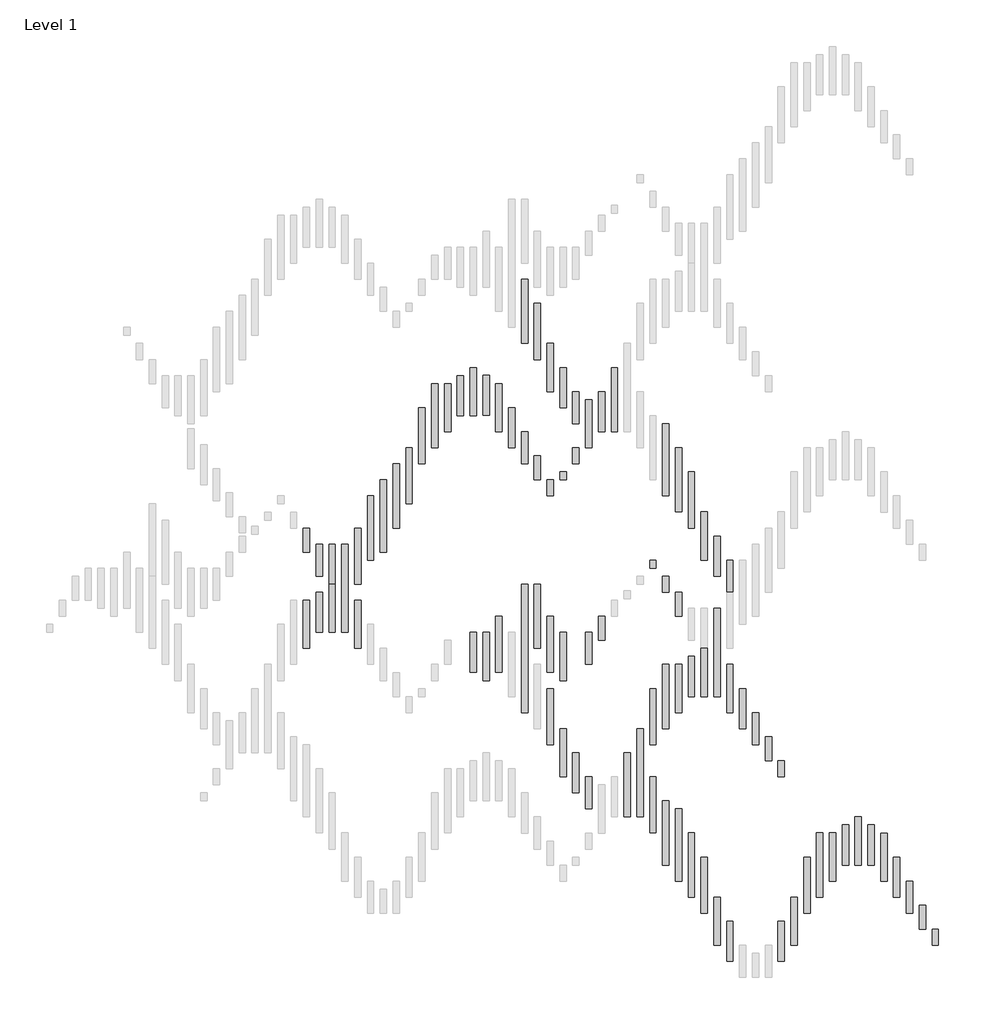
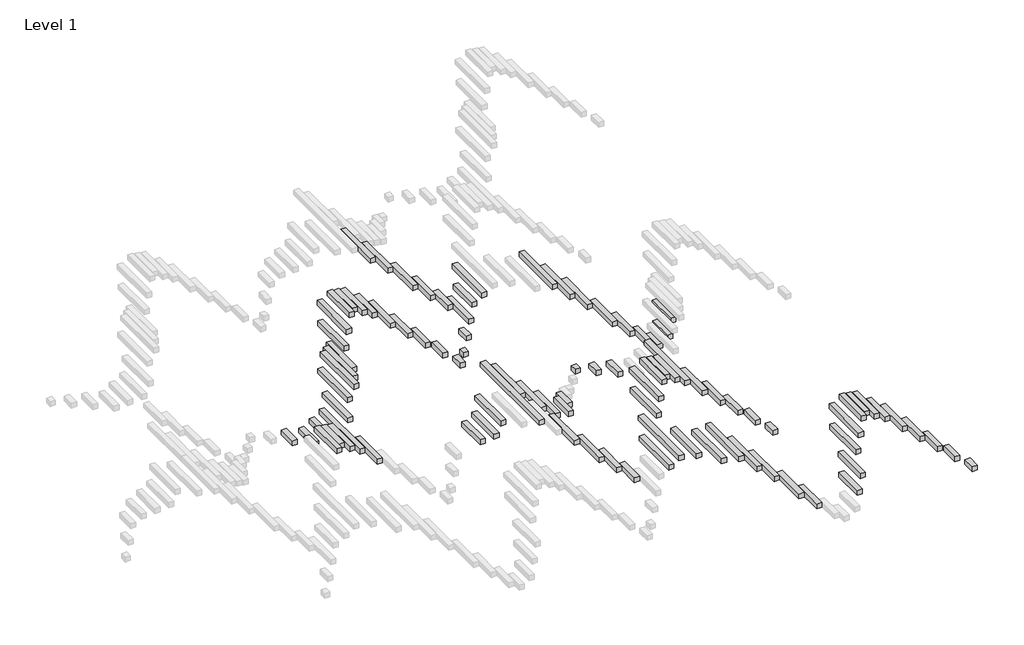
# One storey, part 2 of 3: 92 proxies.
"""IFC4 building model written with IfcOpenShell, lengths in millimetres."""

import ifcopenshell
import ifcopenshell.guid

model = None  # the IFC model being written
_history = None  # IfcOwnerHistory: only IFC2X3 demands one
_inside = {}  # id of a spatial element -> (the spatial element, [elements in it])
_under = {}  # id of a project, library or spatial element -> (it, [spatial elements below it])
_declared = {}  # id of a project -> (the project, [libraries it declares])
_typed = {}  # id of a type object -> (the type object, [elements of that type])
_made_of = {}  # id of a material, layer set ... -> (it, [elements and type objects made of it])


def new_model(schema):
    """Start an empty IFC model of exactly this schema.

    Asked for "IFC4X3", IfcOpenShell would pick the latest addendum, in which some entities
    have other attributes; the version numbers below select the first issue.
    IFC2X3 requires an IfcOwnerHistory on every rooted entity: one is made here for all.
    """
    global model, _history
    if schema == "IFC4X3":
        model = ifcopenshell.file(schema_version=(4, 3, 0, 0))
    else:
        model = ifcopenshell.file(schema=schema)
    _inside.clear()
    _under.clear()
    _declared.clear()
    _typed.clear()
    _made_of.clear()
    _history = None
    if model.schema == "IFC2X3":
        org = make("IfcOrganization", Name="unknown")
        user = make(
            "IfcPersonAndOrganization",
            ThePerson=make("IfcPerson", FamilyName="unknown"),
            TheOrganization=org,
        )
        app = make(
            "IfcApplication",
            ApplicationDeveloper=org,
            Version="unknown",
            ApplicationFullName="unknown",
            ApplicationIdentifier="unknown",
        )
        _history = make(
            "IfcOwnerHistory",
            OwningUser=user,
            OwningApplication=app,
            ChangeAction="ADDED",
            CreationDate=0,
        )
    return model


def make(cls, **values):
    """One entity of the class cls with the attributes given. An attribute that is None is left unset."""
    return model.create_entity(
        cls, **{name: value for name, value in values.items() if value is not None}
    )


def rooted(cls, **values):
    """An entity with a GlobalId (a new one), such as an element, a storey or a relation."""
    return make(cls, GlobalId=ifcopenshell.guid.new(), OwnerHistory=_history, **values)


def si_unit(unit_type, name, prefix=None):
    """IfcSIUnit, for example si_unit("LENGTHUNIT", "METRE", prefix="MILLI")."""
    return make("IfcSIUnit", UnitType=unit_type, Prefix=prefix, Name=name)


def assignment(units):
    """IfcUnitAssignment: the units of a project."""
    return None if units is None else make("IfcUnitAssignment", Units=units)


def point(xyz):
    """IfcCartesianPoint."""
    return None if xyz is None else make("IfcCartesianPoint", Coordinates=xyz)


def direction(xyz):
    """IfcDirection."""
    return None if xyz is None else make("IfcDirection", DirectionRatios=xyz)


def frame(location, z_axis=None, x_axis=None):
    """IfcAxis2Placement3D, a coordinate frame: its origin and axes. An axis left out is left unset."""
    return make(
        "IfcAxis2Placement3D",
        Location=point(location),
        Axis=direction(z_axis),
        RefDirection=direction(x_axis),
    )


def origin():
    """The frame at (0, 0, 0) with its axes left unset."""
    return frame((0.0, 0.0, 0.0))


def origin_with_axes():
    """The frame at (0, 0, 0) with the z axis (0, 0, 1) and the x axis (1, 0, 0) written out."""
    return frame((0.0, 0.0, 0.0), z_axis=(0.0, 0.0, 1.0), x_axis=(1.0, 0.0, 0.0))


def place(relative_to, where):
    """IfcLocalPlacement: puts the frame where relative to a parent placement (None: the world)."""
    return make(
        "IfcLocalPlacement", PlacementRelTo=relative_to, RelativePlacement=where
    )


def context(
    kind, dimensions, precision=None, world=None, true_north=None, identifier=None
):
    """IfcGeometricRepresentationContext, for example the 3D "Model" context."""
    return make(
        "IfcGeometricRepresentationContext",
        ContextIdentifier=identifier,
        ContextType=kind,
        CoordinateSpaceDimension=dimensions,
        Precision=precision,
        WorldCoordinateSystem=world,
        TrueNorth=true_north,
    )


def project(units=None, contexts=None):
    """IfcProject with its units and contexts."""
    return rooted(
        "IfcProject",
        Name="project",
        RepresentationContexts=contexts,
        UnitsInContext=assignment(units),
    )


def spatial(cls, under=None, at=None, **own):
    """A site, building, storey or space (cls), placed at a placement, below another one or the project."""
    s = rooted(cls, ObjectPlacement=at, **own)
    if under is not None:
        _under.setdefault(under.id(), (under, []))[1].append(s)
    return s


def polyline(points):
    """IfcPolyline through the points."""
    return make("IfcPolyline", Points=[point(p) for p in points])


def outline(outer, holes=None, kind="AREA"):
    """IfcArbitraryClosedProfileDef: a profile drawn as a closed curve; with holes, ...WithVoids."""
    if holes is None:
        return make("IfcArbitraryClosedProfileDef", ProfileType=kind, OuterCurve=outer)
    return make(
        "IfcArbitraryProfileDefWithVoids",
        ProfileType=kind,
        OuterCurve=outer,
        InnerCurves=holes,
    )


def extrude(swept, where, along, depth):
    """IfcExtrudedAreaSolid: the profile swept, set in the frame where, extruded along a direction by depth."""
    return make(
        "IfcExtrudedAreaSolid",
        SweptArea=swept,
        Position=where,
        ExtrudedDirection=direction(along),
        Depth=depth,
    )


def shape(context_of_items, identifier, shape_type, items):
    """IfcShapeRepresentation: the items that make up one representation, for example the "Body"."""
    return make(
        "IfcShapeRepresentation",
        ContextOfItems=context_of_items,
        RepresentationIdentifier=identifier,
        RepresentationType=shape_type,
        Items=items,
    )


def source(mapping_origin, context_of_items, identifier, shape_type, items):
    """IfcRepresentationMap: a shape defined once, which mapped items show again and again."""
    return make(
        "IfcRepresentationMap",
        MappingOrigin=mapping_origin,
        MappedRepresentation=shape(context_of_items, identifier, shape_type, items),
    )


def transform(
    local_origin,
    x_axis=None,
    y_axis=None,
    z_axis=None,
    scale=None,
    scale2=None,
    scale3=None,
    uniform=True,
):
    """IfcCartesianTransformationOperator3D, or its non-uniform kind. x_axis, y_axis, z_axis: its Axis1, 2, 3."""
    if uniform:
        return make(
            "IfcCartesianTransformationOperator3D",
            Axis1=direction(x_axis),
            Axis2=direction(y_axis),
            LocalOrigin=point(local_origin),
            Scale=scale,
            Axis3=direction(z_axis),
        )
    return make(
        "IfcCartesianTransformationOperator3DnonUniform",
        Axis1=direction(x_axis),
        Axis2=direction(y_axis),
        LocalOrigin=point(local_origin),
        Scale=scale,
        Axis3=direction(z_axis),
        Scale2=scale2,
        Scale3=scale3,
    )


def mapped(mapping_source, mapping_target):
    """IfcMappedItem: shows the shape of a source again, moved by a transform."""
    return make(
        "IfcMappedItem", MappingSource=mapping_source, MappingTarget=mapping_target
    )


def made_of(thing, what):
    """Note that an element or type object is made of a material, layer set ...; save() writes the relation."""
    if what is not None:
        _made_of.setdefault(what.id(), (what, []))[1].append(thing)
    return thing


def element(
    cls,
    number,
    at=None,
    inside=None,
    cuts=None,
    type_object=None,
    material=None,
    context=None,
    identifier="Body",
    shape_type=None,
    held_by="IfcProductDefinitionShape",
    body=None,
    shapes=None,
    **own,
):
    """One element of the class cls, such as IfcWall. Its Tag is "e" and its number.

    at: its placement. inside: the storey or other place that contains it. cuts: it is an
    opening in that element (IfcRelVoidsElement). A single representation is given by context,
    identifier, shape_type and body (its items); several are given by shapes. held_by: the class
    of the entity that holds the representations. save() writes the other relations.
    """
    e = rooted(cls, Tag="e%d" % number, ObjectPlacement=at, **own)
    if body is not None:
        shapes = [shape(context, identifier, shape_type, body)]
    if shapes is not None:
        e.Representation = make(held_by, Representations=shapes)
    if inside is not None:
        _inside.setdefault(inside.id(), (inside, []))[1].append(e)
    if cuts is not None:
        rooted(
            "IfcRelVoidsElement", RelatingBuildingElement=cuts, RelatedOpeningElement=e
        )
    if type_object is not None:
        _typed.setdefault(type_object.id(), (type_object, []))[1].append(e)
    return made_of(e, material)


def aggregate(whole, parts):
    """IfcRelAggregates: a whole, such as a stair, and the parts it consists of."""
    return rooted("IfcRelAggregates", RelatingObject=whole, RelatedObjects=parts)


def save(model, path):
    """Write the relations noted so far, then the file.

    IfcRelAggregates (storeys below a building ...), IfcRelContainedInSpatialStructure (elements
    in a storey), IfcRelDefinesByType, IfcRelAssociatesMaterial and IfcRelDeclares: one each for
    every whole, place, type object, material and project.
    """
    for whole, parts in _under.values():
        aggregate(whole, parts)
    for where, things in _inside.values():
        rooted(
            "IfcRelContainedInSpatialStructure",
            RelatedElements=things,
            RelatingStructure=where,
        )
    for kind, things in _typed.values():
        rooted("IfcRelDefinesByType", RelatedObjects=things, RelatingType=kind)
    for what, things in _made_of.values():
        rooted("IfcRelAssociatesMaterial", RelatedObjects=things, RelatingMaterial=what)
    for by, libraries in _declared.values():
        rooted("IfcRelDeclares", RelatingContext=by, RelatedDefinitions=libraries)
    model.write(path)


def pln_1family_pln_1family_4dc62227(model_context):
    return source(origin(), model_context, "Body", "SweptSolid", [
        extrude(outline(polyline([(0.0, 350.0), (40.0, 350.0), (40.0, 0.0), (0.0, 0.0), (0.0, 350.0)])), frame((0.0, 0.0, 300.0), z_axis=(0.0, 0.0, 1.0), x_axis=(1.0, 0.0, 0.0)), (0.0, 0.0, 1.0), 40.0),
    ])


def pln_1family_pln_1family_f3eff414(model_context):
    return source(origin(), model_context, "Body", "SweptSolid", [
        extrude(outline(polyline([(0.0, 50.0), (40.0, 50.0), (40.0, 0.0), (0.0, 0.0), (0.0, 50.0)])), origin_with_axes(), (0.0, 0.0, 1.0), 40.0),
    ])


def pln_1family_pln_1family_fcb6b026(model_context):
    return source(origin(), model_context, "Body", "SweptSolid", [
        extrude(outline(polyline([(0.0, 100.0), (40.0, 100.0), (40.0, 0.0), (0.0, 0.0), (0.0, 100.0)])), frame((0.0, 0.0, 50.0), z_axis=(0.0, 0.0, 1.0), x_axis=(1.0, 0.0, 0.0)), (0.0, 0.0, 1.0), 40.0),
    ])


def pln_1family_pln_1family_2da3125d(model_context):
    return source(origin(), model_context, "Body", "SweptSolid", [
        extrude(outline(polyline([(0.0, 150.0), (40.0, 150.0), (40.0, 0.0), (0.0, 0.0), (0.0, 150.0)])), frame((0.0, 0.0, 100.0), z_axis=(0.0, 0.0, 1.0), x_axis=(1.0, 0.0, 0.0)), (0.0, 0.0, 1.0), 40.0),
    ])


def pln_1family_pln_1family_1d0df3a4(model_context):
    return source(origin(), model_context, "Body", "SweptSolid", [
        extrude(outline(polyline([(0.0, 200.0), (40.0, 200.0), (40.0, 0.0), (0.0, 0.0), (0.0, 200.0)])), frame((0.0, 0.0, 150.0), z_axis=(0.0, 0.0, 1.0), x_axis=(1.0, 0.0, 0.0)), (0.0, 0.0, 1.0), 40.0),
    ])


def pln_1family_pln_1family_3bfda860(model_context):
    return source(origin(), model_context, "Body", "SweptSolid", [
        extrude(outline(polyline([(0.0, 250.0), (40.0, 250.0), (40.0, 0.0), (0.0, 0.0), (0.0, 250.0)])), frame((0.0, 0.0, 200.0), z_axis=(0.0, 0.0, 1.0), x_axis=(1.0, 0.0, 0.0)), (0.0, 0.0, 1.0), 40.0),
    ])


def pln_1family_pln_1family_cedcc5d7(model_context):
    return source(origin(), model_context, "Body", "SweptSolid", [
        extrude(outline(polyline([(0.0, 300.0), (40.0, 300.0), (40.0, 0.0), (0.0, 0.0), (0.0, 300.0)])), frame((0.0, 0.0, 250.0), z_axis=(0.0, 0.0, 1.0), x_axis=(1.0, 0.0, 0.0)), (0.0, 0.0, 1.0), 40.0),
    ])


def pln_1family_pln_1family_212ed542(model_context):
    return source(origin(), model_context, "Body", "SweptSolid", [
        extrude(outline(polyline([(0.0, 400.0), (40.0, 400.0), (40.0, 0.0), (0.0, 0.0), (0.0, 400.0)])), frame((0.0, 0.0, 350.0), z_axis=(0.0, 0.0, 1.0), x_axis=(1.0, 0.0, 0.0)), (0.0, 0.0, 1.0), 40.0),
    ])


def pln_1family_pln_1family_093c9c44(model_context):
    return source(origin(), model_context, "Body", "SweptSolid", [
        extrude(outline(polyline([(0.0, 450.0), (40.0, 450.0), (40.0, 0.0), (0.0, 0.0), (0.0, 450.0)])), frame((0.0, 0.0, 400.0), z_axis=(0.0, 0.0, 1.0), x_axis=(1.0, 0.0, 0.0)), (0.0, 0.0, 1.0), 40.0),
    ])


def pln_1family_pln_1family_2c37be23(model_context):
    return source(origin(), model_context, "Body", "SweptSolid", [
        extrude(outline(polyline([(0.0, 250.0), (40.0, 250.0), (40.0, 0.0), (0.0, 0.0), (0.0, 250.0)])), frame((0.0, 0.0, 150.0), z_axis=(0.0, 0.0, 1.0), x_axis=(1.0, 0.0, 0.0)), (0.0, 0.0, 1.0), 40.0),
    ])


def pln_1family_pln_1family_8d14096d(model_context):
    return source(origin(), model_context, "Body", "SweptSolid", [
        extrude(outline(polyline([(0.0, 300.0), (40.0, 300.0), (40.0, 0.0), (0.0, 0.0), (0.0, 300.0)])), frame((0.0, 0.0, 200.0), z_axis=(0.0, 0.0, 1.0), x_axis=(1.0, 0.0, 0.0)), (0.0, 0.0, 1.0), 40.0),
    ])


def pln_1family_pln_1family_0d1576dd(model_context):
    return source(origin(), model_context, "Body", "SweptSolid", [
        extrude(outline(polyline([(0.0, 200.0), (40.0, 200.0), (40.0, 0.0), (0.0, 0.0), (0.0, 200.0)])), frame((0.0, 0.0, 100.0), z_axis=(0.0, 0.0, 1.0), x_axis=(1.0, 0.0, 0.0)), (0.0, 0.0, 1.0), 40.0),
    ])


def pln_1family_pln_1family_4d2572b1(model_context):
    return source(origin(), model_context, "Body", "SweptSolid", [
        extrude(outline(polyline([(0.0, 150.0), (40.0, 150.0), (40.0, 0.0), (0.0, 0.0), (0.0, 150.0)])), frame((0.0, 0.0, 50.0), z_axis=(0.0, 0.0, 1.0), x_axis=(1.0, 0.0, 0.0)), (0.0, 0.0, 1.0), 40.0),
    ])


def pln_1family_pln_1family_7651b630(model_context):
    return source(origin(), model_context, "Body", "SweptSolid", [
        extrude(outline(polyline([(0.0, 100.0), (40.0, 100.0), (40.0, 0.0), (0.0, 0.0), (0.0, 100.0)])), origin_with_axes(), (0.0, 0.0, 1.0), 40.0),
    ])


def pln_1family_pln_1family_12d8277a(model_context):
    return source(origin(), model_context, "Body", "SweptSolid", [
        extrude(outline(polyline([(0.0, 250.0), (40.0, 250.0), (40.0, 0.0), (0.0, 0.0), (0.0, 250.0)])), frame((0.0, 0.0, 350.0), z_axis=(0.0, 0.0, 1.0), x_axis=(1.0, 0.0, 0.0)), (0.0, 0.0, 1.0), 40.0),
    ])


def pln_1family_pln_1family_87d7128b(model_context):
    return source(origin(), model_context, "Body", "SweptSolid", [
        extrude(outline(polyline([(0.0, 250.0), (40.0, 250.0), (40.0, 0.0), (0.0, 0.0), (0.0, 250.0)])), frame((0.0, 0.0, 250.0), z_axis=(0.0, 0.0, 1.0), x_axis=(1.0, 0.0, 0.0)), (0.0, 0.0, 1.0), 40.0),
    ])


def pln_1family_pln_1family_26808da2(model_context):
    return source(origin(), model_context, "Body", "SweptSolid", [
        extrude(outline(polyline([(0.0, 300.0), (40.0, 300.0), (40.0, 0.0), (0.0, 0.0), (0.0, 300.0)])), frame((0.0, 0.0, 400.0), z_axis=(0.0, 0.0, 1.0), x_axis=(1.0, 0.0, 0.0)), (0.0, 0.0, 1.0), 40.0),
    ])


def pln_1family_pln_1family_23dad07f(model_context):
    return source(origin(), model_context, "Body", "SweptSolid", [
        extrude(outline(polyline([(0.0, 300.0), (40.0, 300.0), (40.0, 0.0), (0.0, 0.0), (0.0, 300.0)])), frame((0.0, 0.0, 300.0), z_axis=(0.0, 0.0, 1.0), x_axis=(1.0, 0.0, 0.0)), (0.0, 0.0, 1.0), 40.0),
    ])


def pln_1family_pln_1family_72982883(model_context):
    return source(origin(), model_context, "Body", "SweptSolid", [
        extrude(outline(polyline([(0.0, 300.0), (40.0, 300.0), (40.0, 0.0), (0.0, 0.0), (0.0, 300.0)])), frame((0.0, 0.0, 100.0), z_axis=(0.0, 0.0, 1.0), x_axis=(1.0, 0.0, 0.0)), (0.0, 0.0, 1.0), 40.0),
    ])


def pln_1family_pln_1family_6ff78434(model_context):
    return source(origin(), model_context, "Body", "SweptSolid", [
        extrude(outline(polyline([(0.0, 400.0), (40.0, 400.0), (40.0, 0.0), (0.0, 0.0), (0.0, 400.0)])), frame((0.0, 0.0, 200.0), z_axis=(0.0, 0.0, 1.0), x_axis=(1.0, 0.0, 0.0)), (0.0, 0.0, 1.0), 40.0),
    ])


def pln_1family_pln_1family_5641a602(model_context):
    return source(origin(), model_context, "Body", "SweptSolid", [
        extrude(outline(polyline([(0.0, 550.0), (40.0, 550.0), (40.0, 0.0), (0.0, 0.0), (0.0, 550.0)])), frame((0.0, 0.0, 250.0), z_axis=(0.0, 0.0, 1.0), x_axis=(1.0, 0.0, 0.0)), (0.0, 0.0, 1.0), 40.0),
    ])


def pln_1family_pln_1family_07c4befe(model_context):
    return source(origin(), model_context, "Body", "SweptSolid", [
        extrude(outline(polyline([(0.0, -50.0), (0.0, 0.0), (40.0, 0.0), (40.0, -50.0), (0.0, -50.0)])), origin_with_axes(), (0.0, 0.0, 1.0), 40.0),
    ])


def pln_1family_pln_1family_859a2ff6(model_context):
    return source(origin(), model_context, "Body", "SweptSolid", [
        extrude(outline(polyline([(0.0, -100.0), (0.0, 0.0), (40.0, 0.0), (40.0, -100.0), (0.0, -100.0)])), frame((0.0, 0.0, 50.0), z_axis=(0.0, 0.0, 1.0), x_axis=(1.0, 0.0, 0.0)), (0.0, 0.0, 1.0), 40.0),
    ])


def pln_1family_pln_1family_98214491(model_context):
    return source(origin(), model_context, "Body", "SweptSolid", [
        extrude(outline(polyline([(0.0, -150.0), (0.0, 0.0), (40.0, 0.0), (40.0, -150.0), (0.0, -150.0)])), frame((0.0, 0.0, 100.0), z_axis=(0.0, 0.0, 1.0), x_axis=(1.0, 0.0, 0.0)), (0.0, 0.0, 1.0), 40.0),
    ])


def pln_1family_pln_1family_afff1ceb(model_context):
    return source(origin(), model_context, "Body", "SweptSolid", [
        extrude(outline(polyline([(0.0, -200.0), (0.0, 0.0), (40.0, 0.0), (40.0, -200.0), (0.0, -200.0)])), frame((0.0, 0.0, 150.0), z_axis=(0.0, 0.0, 1.0), x_axis=(1.0, 0.0, 0.0)), (0.0, 0.0, 1.0), 40.0),
    ])


def pln_1family_pln_1family_00dac9e5(model_context):
    return source(origin(), model_context, "Body", "SweptSolid", [
        extrude(outline(polyline([(0.0, -350.0), (0.0, 0.0), (40.0, 0.0), (40.0, -350.0), (0.0, -350.0)])), frame((0.0, 0.0, 300.0), z_axis=(0.0, 0.0, 1.0), x_axis=(1.0, 0.0, 0.0)), (0.0, 0.0, 1.0), 40.0),
    ])


def pln_1family_pln_1family_1b5eb808(model_context):
    return source(origin(), model_context, "Body", "SweptSolid", [
        extrude(outline(polyline([(0.0, -400.0), (0.0, 0.0), (40.0, 0.0), (40.0, -400.0), (0.0, -400.0)])), frame((0.0, 0.0, 350.0), z_axis=(0.0, 0.0, 1.0), x_axis=(1.0, 0.0, 0.0)), (0.0, 0.0, 1.0), 40.0),
    ])


def pln_1family_pln_1family_d52b545e(model_context):
    return source(origin(), model_context, "Body", "SweptSolid", [
        extrude(outline(polyline([(0.0, -450.0), (0.0, 0.0), (40.0, 0.0), (40.0, -450.0), (0.0, -450.0)])), frame((0.0, 0.0, 400.0), z_axis=(0.0, 0.0, 1.0), x_axis=(1.0, 0.0, 0.0)), (0.0, 0.0, 1.0), 40.0),
    ])


def pln_1family_pln_1family_a20e2aca(model_context):
    return source(origin(), model_context, "Body", "SweptSolid", [
        extrude(outline(polyline([(0.0, -250.0), (0.0, 0.0), (40.0, 0.0), (40.0, -250.0), (0.0, -250.0)])), frame((0.0, 0.0, 200.0), z_axis=(0.0, 0.0, 1.0), x_axis=(1.0, 0.0, 0.0)), (0.0, 0.0, 1.0), 40.0),
    ])


def pln_1family_pln_1family_4d3149bf(model_context):
    return source(origin(), model_context, "Body", "SweptSolid", [
        extrude(outline(polyline([(0.0, -300.0), (0.0, 0.0), (40.0, 0.0), (40.0, -300.0), (0.0, -300.0)])), frame((0.0, 0.0, 250.0), z_axis=(0.0, 0.0, 1.0), x_axis=(1.0, 0.0, 0.0)), (0.0, 0.0, 1.0), 40.0),
    ])


def pln_1family_pln_1family_b79c4e5a(model_context):
    return source(origin(), model_context, "Body", "SweptSolid", [
        extrude(outline(polyline([(0.0, 800.0), (40.0, 800.0), (40.0, 0.0), (0.0, 0.0), (0.0, 800.0)])), frame((0.0, 0.0, 400.0), z_axis=(0.0, 0.0, 1.0), x_axis=(1.0, 0.0, 0.0)), (0.0, 0.0, 1.0), 40.0),
    ])


model = new_model("IFC4")

# Units and contexts
model_context = context("Model", 3, world=origin())
ifc_project = project(units=[si_unit("LENGTHUNIT", "METRE", prefix="MILLI")], contexts=[model_context])

# Site, building, storey
site = spatial("IfcSite", under=ifc_project)
building = spatial("IfcBuilding", under=site)
storey = spatial("IfcBuildingStorey", under=building, Name="Level 1", Elevation=0.0)

# Proxies
placement = place(None, origin())
pln_1family_pln_1family_shape = pln_1family_pln_1family_4dc62227(model_context)
element("IfcBuildingElementProxy", 1, Name="PLN - 1family : PLN - 1family", ObjectType="PLN - 1family : PLN - 1family", at=placement, inside=storey, context=model_context, shape_type="MappedRepresentation", body=[
    mapped(pln_1family_pln_1family_shape, transform((-6499.7212603, -2168.1221715, 0.0), x_axis=(1.0, 0.0, 0.0), y_axis=(0.0, 1.0, 0.0), z_axis=(0.0, 0.0, 1.0))),
])
element("IfcBuildingElementProxy", 2, Name="PLN - 1family : PLN - 1family", ObjectType="PLN - 1family : PLN - 1family", at=placement, inside=storey, context=model_context, shape_type="MappedRepresentation", body=[
    mapped(pln_1family_pln_1family_shape, transform((-5539.7212603, -3218.1221715, 0.0), x_axis=(1.0, 0.0, 0.0), y_axis=(0.0, 1.0, 0.0), z_axis=(0.0, 0.0, 1.0))),
])
element("IfcBuildingElementProxy", 3, Name="PLN - 1family : PLN - 1family", ObjectType="PLN - 1family : PLN - 1family", at=placement, inside=storey, context=model_context, shape_type="MappedRepresentation", body=[
    mapped(pln_1family_pln_1family_shape, transform((-7219.7212603, -2818.1221715, 0.0), x_axis=(1.0, 0.0, 0.0), y_axis=(0.0, 1.0, 0.0), z_axis=(0.0, 0.0, 1.0))),
])
element("IfcBuildingElementProxy", 4, Name="PLN - 1family : PLN - 1family", ObjectType="PLN - 1family : PLN - 1family", at=placement, inside=storey, context=model_context, shape_type="MappedRepresentation", body=[
    mapped(pln_1family_pln_1family_shape, transform((-6419.7212603, -4568.1221715, 0.0), x_axis=(1.0, 0.0, 0.0), y_axis=(0.0, 1.0, 0.0), z_axis=(0.0, 0.0, 1.0))),
])
element("IfcBuildingElementProxy", 5, Name="PLN - 1family : PLN - 1family", ObjectType="PLN - 1family : PLN - 1family", at=placement, inside=storey, context=model_context, shape_type="MappedRepresentation", body=[
    mapped(pln_1family_pln_1family_shape, transform((-5779.7212603, -4568.1221715, 0.0), x_axis=(1.0, 0.0, 0.0), y_axis=(0.0, 1.0, 0.0), z_axis=(0.0, 0.0, 1.0))),
])
element("IfcBuildingElementProxy", 6, Name="PLN - 1family : PLN - 1family", ObjectType="PLN - 1family : PLN - 1family", at=placement, inside=storey, context=model_context, shape_type="MappedRepresentation", body=[
    mapped(pln_1family_pln_1family_shape, transform((-5779.7212603, -5118.1221715, 0.0), x_axis=(1.0, 0.0, 0.0), y_axis=(0.0, 1.0, 0.0), z_axis=(0.0, 0.0, 1.0))),
])
element("IfcBuildingElementProxy", 7, Name="PLN - 1family : PLN - 1family", ObjectType="PLN - 1family : PLN - 1family", at=placement, inside=storey, context=model_context, shape_type="MappedRepresentation", body=[
    mapped(pln_1family_pln_1family_shape, transform((-5459.7212603, -5618.1221715, 0.0), x_axis=(1.0, 0.0, 0.0), y_axis=(0.0, 1.0, 0.0), z_axis=(0.0, 0.0, 1.0))),
])
element("IfcBuildingElementProxy", 8, Name="PLN - 1family : PLN - 1family", ObjectType="PLN - 1family : PLN - 1family", at=placement, inside=storey, context=model_context, shape_type="MappedRepresentation", body=[
    mapped(pln_1family_pln_1family_shape, transform((-4819.7212603, -5618.1221715, 0.0), x_axis=(1.0, 0.0, 0.0), y_axis=(0.0, 1.0, 0.0), z_axis=(0.0, 0.0, 1.0))),
])
element("IfcBuildingElementProxy", 9, Name="PLN - 1family : PLN - 1family", ObjectType="PLN - 1family : PLN - 1family", at=placement, inside=storey, context=model_context, shape_type="MappedRepresentation", body=[
    mapped(pln_1family_pln_1family_shape, transform((-6379.7212603, -3768.1221715, 0.0), x_axis=(-1.0, 0.0, 0.0), y_axis=(0.0, -1.0, 0.0), z_axis=(0.0, 0.0, 1.0))),
])
pln_1family_pln_1family_2_shape = pln_1family_pln_1family_f3eff414(model_context)
element("IfcBuildingElementProxy", 10, Name="PLN - 1family : PLN - 1family", ObjectType="PLN - 1family : PLN - 1family", at=placement, inside=storey, context=model_context, shape_type="MappedRepresentation", body=[
    mapped(pln_1family_pln_1family_2_shape, transform((-6339.7212603, -2918.1221715, 0.0), x_axis=(1.0, 0.0, 0.0), y_axis=(0.0, 1.0, 0.0), z_axis=(0.0, 0.0, 1.0))),
])
pln_1family_pln_1family_3_shape = pln_1family_pln_1family_fcb6b026(model_context)
element("IfcBuildingElementProxy", 11, Name="PLN - 1family : PLN - 1family", ObjectType="PLN - 1family : PLN - 1family", at=placement, inside=storey, context=model_context, shape_type="MappedRepresentation", body=[
    mapped(pln_1family_pln_1family_3_shape, transform((-6259.7212603, -2818.1221715, 0.0), x_axis=(1.0, 0.0, 0.0), y_axis=(0.0, 1.0, 0.0), z_axis=(0.0, 0.0, 1.0))),
])
pln_1family_pln_1family_4_shape = pln_1family_pln_1family_2da3125d(model_context)
element("IfcBuildingElementProxy", 12, Name="PLN - 1family : PLN - 1family", ObjectType="PLN - 1family : PLN - 1family", at=placement, inside=storey, context=model_context, shape_type="MappedRepresentation", body=[
    mapped(pln_1family_pln_1family_4_shape, transform((-5219.7212603, -3618.1221715, 0.0), x_axis=(1.0, 0.0, 0.0), y_axis=(0.0, 1.0, 0.0), z_axis=(0.0, 0.0, 1.0))),
])
element("IfcBuildingElementProxy", 13, Name="PLN - 1family : PLN - 1family", ObjectType="PLN - 1family : PLN - 1family", at=placement, inside=storey, context=model_context, shape_type="MappedRepresentation", body=[
    mapped(pln_1family_pln_1family_4_shape, transform((-6059.7212603, -3768.1221715, 0.0), x_axis=(-1.0, 0.0, 0.0), y_axis=(0.0, -1.0, 0.0), z_axis=(0.0, 0.0, 1.0))),
])
pln_1family_pln_1family_5_shape = pln_1family_pln_1family_1d0df3a4(model_context)
element("IfcBuildingElementProxy", 14, Name="PLN - 1family : PLN - 1family", ObjectType="PLN - 1family : PLN - 1family", at=placement, inside=storey, context=model_context, shape_type="MappedRepresentation", body=[
    mapped(pln_1family_pln_1family_5_shape, transform((-6259.7212603, -2568.1221715, 0.0), x_axis=(1.0, 0.0, 0.0), y_axis=(0.0, 1.0, 0.0), z_axis=(0.0, 0.0, 1.0))),
])
element("IfcBuildingElementProxy", 15, Name="PLN - 1family : PLN - 1family", ObjectType="PLN - 1family : PLN - 1family", at=placement, inside=storey, context=model_context, shape_type="MappedRepresentation", body=[
    mapped(pln_1family_pln_1family_5_shape, transform((-5139.7212603, -3618.1221715, 0.0), x_axis=(1.0, 0.0, 0.0), y_axis=(0.0, 1.0, 0.0), z_axis=(0.0, 0.0, 1.0))),
])
element("IfcBuildingElementProxy", 16, Name="PLN - 1family : PLN - 1family", ObjectType="PLN - 1family : PLN - 1family", at=placement, inside=storey, context=model_context, shape_type="MappedRepresentation", body=[
    mapped(pln_1family_pln_1family_5_shape, transform((-5299.7212603, -3618.1221715, 0.0), x_axis=(1.0, 0.0, 0.0), y_axis=(0.0, 1.0, 0.0), z_axis=(0.0, 0.0, 1.0))),
])
element("IfcBuildingElementProxy", 17, Name="PLN - 1family : PLN - 1family", ObjectType="PLN - 1family : PLN - 1family", at=placement, inside=storey, context=model_context, shape_type="MappedRepresentation", body=[
    mapped(pln_1family_pln_1family_5_shape, transform((-6179.7212603, -4968.1221715, 0.0), x_axis=(1.0, 0.0, 0.0), y_axis=(0.0, 1.0, 0.0), z_axis=(0.0, 0.0, 1.0))),
])
element("IfcBuildingElementProxy", 18, Name="PLN - 1family : PLN - 1family", ObjectType="PLN - 1family : PLN - 1family", at=placement, inside=storey, context=model_context, shape_type="MappedRepresentation", body=[
    mapped(pln_1family_pln_1family_5_shape, transform((-6139.7212603, -3868.1221715, 0.0), x_axis=(-1.0, 0.0, 0.0), y_axis=(0.0, -1.0, 0.0), z_axis=(0.0, 0.0, 1.0))),
])
pln_1family_pln_1family_6_shape = pln_1family_pln_1family_3bfda860(model_context)
element("IfcBuildingElementProxy", 19, Name="PLN - 1family : PLN - 1family", ObjectType="PLN - 1family : PLN - 1family", at=placement, inside=storey, context=model_context, shape_type="MappedRepresentation", body=[
    mapped(pln_1family_pln_1family_6_shape, transform((-6339.7212603, -2468.1221715, 0.0), x_axis=(1.0, 0.0, 0.0), y_axis=(0.0, 1.0, 0.0), z_axis=(0.0, 0.0, 1.0))),
])
element("IfcBuildingElementProxy", 20, Name="PLN - 1family : PLN - 1family", ObjectType="PLN - 1family : PLN - 1family", at=placement, inside=storey, context=model_context, shape_type="MappedRepresentation", body=[
    mapped(pln_1family_pln_1family_6_shape, transform((-5379.7212603, -3518.1221715, 0.0), x_axis=(1.0, 0.0, 0.0), y_axis=(0.0, 1.0, 0.0), z_axis=(0.0, 0.0, 1.0))),
])
element("IfcBuildingElementProxy", 21, Name="PLN - 1family : PLN - 1family", ObjectType="PLN - 1family : PLN - 1family", at=placement, inside=storey, context=model_context, shape_type="MappedRepresentation", body=[
    mapped(pln_1family_pln_1family_6_shape, transform((-5059.7212603, -3518.1221715, 0.0), x_axis=(1.0, 0.0, 0.0), y_axis=(0.0, 1.0, 0.0), z_axis=(0.0, 0.0, 1.0))),
])
element("IfcBuildingElementProxy", 22, Name="PLN - 1family : PLN - 1family", ObjectType="PLN - 1family : PLN - 1family", at=placement, inside=storey, context=model_context, shape_type="MappedRepresentation", body=[
    mapped(pln_1family_pln_1family_6_shape, transform((-6259.7212603, -4868.1221715, 0.0), x_axis=(1.0, 0.0, 0.0), y_axis=(0.0, 1.0, 0.0), z_axis=(0.0, 0.0, 1.0))),
])
element("IfcBuildingElementProxy", 23, Name="PLN - 1family : PLN - 1family", ObjectType="PLN - 1family : PLN - 1family", at=placement, inside=storey, context=model_context, shape_type="MappedRepresentation", body=[
    mapped(pln_1family_pln_1family_6_shape, transform((-5299.7212603, -5918.1221715, 0.0), x_axis=(1.0, 0.0, 0.0), y_axis=(0.0, 1.0, 0.0), z_axis=(0.0, 0.0, 1.0))),
])
element("IfcBuildingElementProxy", 24, Name="PLN - 1family : PLN - 1family", ObjectType="PLN - 1family : PLN - 1family", at=placement, inside=storey, context=model_context, shape_type="MappedRepresentation", body=[
    mapped(pln_1family_pln_1family_6_shape, transform((-4979.7212603, -5918.1221715, 0.0), x_axis=(1.0, 0.0, 0.0), y_axis=(0.0, 1.0, 0.0), z_axis=(0.0, 0.0, 1.0))),
])
pln_1family_pln_1family_7_shape = pln_1family_pln_1family_cedcc5d7(model_context)
element("IfcBuildingElementProxy", 25, Name="PLN - 1family : PLN - 1family", ObjectType="PLN - 1family : PLN - 1family", at=placement, inside=storey, context=model_context, shape_type="MappedRepresentation", body=[
    mapped(pln_1family_pln_1family_7_shape, transform((-6419.7212603, -2368.1221715, 0.0), x_axis=(1.0, 0.0, 0.0), y_axis=(0.0, 1.0, 0.0), z_axis=(0.0, 0.0, 1.0))),
])
element("IfcBuildingElementProxy", 26, Name="PLN - 1family : PLN - 1family", ObjectType="PLN - 1family : PLN - 1family", at=placement, inside=storey, context=model_context, shape_type="MappedRepresentation", body=[
    mapped(pln_1family_pln_1family_7_shape, transform((-5459.7212603, -3418.1221715, 0.0), x_axis=(1.0, 0.0, 0.0), y_axis=(0.0, 1.0, 0.0), z_axis=(0.0, 0.0, 1.0))),
])
element("IfcBuildingElementProxy", 27, Name="PLN - 1family : PLN - 1family", ObjectType="PLN - 1family : PLN - 1family", at=placement, inside=storey, context=model_context, shape_type="MappedRepresentation", body=[
    mapped(pln_1family_pln_1family_7_shape, transform((-6339.7212603, -4768.1221715, 0.0), x_axis=(1.0, 0.0, 0.0), y_axis=(0.0, 1.0, 0.0), z_axis=(0.0, 0.0, 1.0))),
])
element("IfcBuildingElementProxy", 28, Name="PLN - 1family : PLN - 1family", ObjectType="PLN - 1family : PLN - 1family", at=placement, inside=storey, context=model_context, shape_type="MappedRepresentation", body=[
    mapped(pln_1family_pln_1family_7_shape, transform((-5379.7212603, -5818.1221715, 0.0), x_axis=(1.0, 0.0, 0.0), y_axis=(0.0, 1.0, 0.0), z_axis=(0.0, 0.0, 1.0))),
])
element("IfcBuildingElementProxy", 29, Name="PLN - 1family : PLN - 1family", ObjectType="PLN - 1family : PLN - 1family", at=placement, inside=storey, context=model_context, shape_type="MappedRepresentation", body=[
    mapped(pln_1family_pln_1family_7_shape, transform((-4899.7212603, -5818.1221715, 0.0), x_axis=(1.0, 0.0, 0.0), y_axis=(0.0, 1.0, 0.0), z_axis=(0.0, 0.0, 1.0))),
])
element("IfcBuildingElementProxy", 30, Name="PLN - 1family : PLN - 1family", ObjectType="PLN - 1family : PLN - 1family", at=placement, inside=storey, context=model_context, shape_type="MappedRepresentation", body=[
    mapped(pln_1family_pln_1family_7_shape, transform((-6299.7212603, -3868.1221715, 0.0), x_axis=(-1.0, 0.0, 0.0), y_axis=(0.0, -1.0, 0.0), z_axis=(0.0, 0.0, 1.0))),
])
pln_1family_pln_1family_8_shape = pln_1family_pln_1family_212ed542(model_context)
element("IfcBuildingElementProxy", 31, Name="PLN - 1family : PLN - 1family", ObjectType="PLN - 1family : PLN - 1family", at=placement, inside=storey, context=model_context, shape_type="MappedRepresentation", body=[
    mapped(pln_1family_pln_1family_8_shape, transform((-6579.7212603, -2068.1221715, 0.0), x_axis=(1.0, 0.0, 0.0), y_axis=(0.0, 1.0, 0.0), z_axis=(0.0, 0.0, 1.0))),
])
element("IfcBuildingElementProxy", 32, Name="PLN - 1family : PLN - 1family", ObjectType="PLN - 1family : PLN - 1family", at=placement, inside=storey, context=model_context, shape_type="MappedRepresentation", body=[
    mapped(pln_1family_pln_1family_8_shape, transform((-5619.7212603, -3118.1221715, 0.0), x_axis=(1.0, 0.0, 0.0), y_axis=(0.0, 1.0, 0.0), z_axis=(0.0, 0.0, 1.0))),
])
element("IfcBuildingElementProxy", 33, Name="PLN - 1family : PLN - 1family", ObjectType="PLN - 1family : PLN - 1family", at=placement, inside=storey, context=model_context, shape_type="MappedRepresentation", body=[
    mapped(pln_1family_pln_1family_8_shape, transform((-7139.7212603, -2718.1221715, 0.0), x_axis=(1.0, 0.0, 0.0), y_axis=(0.0, 1.0, 0.0), z_axis=(0.0, 0.0, 1.0))),
])
element("IfcBuildingElementProxy", 34, Name="PLN - 1family : PLN - 1family", ObjectType="PLN - 1family : PLN - 1family", at=placement, inside=storey, context=model_context, shape_type="MappedRepresentation", body=[
    mapped(pln_1family_pln_1family_8_shape, transform((-5699.7212603, -4468.1221715, 0.0), x_axis=(1.0, 0.0, 0.0), y_axis=(0.0, 1.0, 0.0), z_axis=(0.0, 0.0, 1.0))),
])
element("IfcBuildingElementProxy", 35, Name="PLN - 1family : PLN - 1family", ObjectType="PLN - 1family : PLN - 1family", at=placement, inside=storey, context=model_context, shape_type="MappedRepresentation", body=[
    mapped(pln_1family_pln_1family_8_shape, transform((-5699.7212603, -5318.1221715, 0.0), x_axis=(1.0, 0.0, 0.0), y_axis=(0.0, 1.0, 0.0), z_axis=(0.0, 0.0, 1.0))),
])
element("IfcBuildingElementProxy", 36, Name="PLN - 1family : PLN - 1family", ObjectType="PLN - 1family : PLN - 1family", at=placement, inside=storey, context=model_context, shape_type="MappedRepresentation", body=[
    mapped(pln_1family_pln_1family_8_shape, transform((-5539.7212603, -5518.1221715, 0.0), x_axis=(1.0, 0.0, 0.0), y_axis=(0.0, 1.0, 0.0), z_axis=(0.0, 0.0, 1.0))),
])
element("IfcBuildingElementProxy", 37, Name="PLN - 1family : PLN - 1family", ObjectType="PLN - 1family : PLN - 1family", at=placement, inside=storey, context=model_context, shape_type="MappedRepresentation", body=[
    mapped(pln_1family_pln_1family_8_shape, transform((-4739.7212603, -5518.1221715, 0.0), x_axis=(1.0, 0.0, 0.0), y_axis=(0.0, 1.0, 0.0), z_axis=(0.0, 0.0, 1.0))),
])
element("IfcBuildingElementProxy", 38, Name="PLN - 1family : PLN - 1family", ObjectType="PLN - 1family : PLN - 1family", at=placement, inside=storey, context=model_context, shape_type="MappedRepresentation", body=[
    mapped(pln_1family_pln_1family_8_shape, transform((-6459.7212603, -3568.1221715, 0.0), x_axis=(-1.0, 0.0, 0.0), y_axis=(0.0, -1.0, 0.0), z_axis=(0.0, 0.0, 1.0))),
])
pln_1family_pln_1family_9_shape = pln_1family_pln_1family_093c9c44(model_context)
element("IfcBuildingElementProxy", 39, Name="PLN - 1family : PLN - 1family", ObjectType="PLN - 1family : PLN - 1family", at=placement, inside=storey, context=model_context, shape_type="MappedRepresentation", body=[
    mapped(pln_1family_pln_1family_9_shape, transform((-5699.7212603, -3018.1221715, 0.0), x_axis=(1.0, 0.0, 0.0), y_axis=(0.0, 1.0, 0.0), z_axis=(0.0, 0.0, 1.0))),
])
element("IfcBuildingElementProxy", 40, Name="PLN - 1family : PLN - 1family", ObjectType="PLN - 1family : PLN - 1family", at=placement, inside=storey, context=model_context, shape_type="MappedRepresentation", body=[
    mapped(pln_1family_pln_1family_9_shape, transform((-5619.7212603, -5418.1221715, 0.0), x_axis=(1.0, 0.0, 0.0), y_axis=(0.0, 1.0, 0.0), z_axis=(0.0, 0.0, 1.0))),
])
pln_1family_pln_1family_10_shape = pln_1family_pln_1family_2c37be23(model_context)
element("IfcBuildingElementProxy", 41, Name="PLN - 1family : PLN - 1family", ObjectType="PLN - 1family : PLN - 1family", at=placement, inside=storey, context=model_context, shape_type="MappedRepresentation", body=[
    mapped(pln_1family_pln_1family_10_shape, transform((-6099.7212603, -2618.1221715, 0.0), x_axis=(1.0, 0.0, 0.0), y_axis=(0.0, 1.0, 0.0), z_axis=(0.0, 0.0, 1.0))),
])
element("IfcBuildingElementProxy", 42, Name="PLN - 1family : PLN - 1family", ObjectType="PLN - 1family : PLN - 1family", at=placement, inside=storey, context=model_context, shape_type="MappedRepresentation", body=[
    mapped(pln_1family_pln_1family_10_shape, transform((-6659.7212603, -2718.1221715, 0.0), x_axis=(1.0, 0.0, 0.0), y_axis=(0.0, 1.0, 0.0), z_axis=(0.0, 0.0, 1.0))),
])
element("IfcBuildingElementProxy", 43, Name="PLN - 1family : PLN - 1family", ObjectType="PLN - 1family : PLN - 1family", at=placement, inside=storey, context=model_context, shape_type="MappedRepresentation", body=[
    mapped(pln_1family_pln_1family_10_shape, transform((-5219.7212603, -4468.1221715, 0.0), x_axis=(1.0, 0.0, 0.0), y_axis=(0.0, 1.0, 0.0), z_axis=(0.0, 0.0, 1.0))),
])
element("IfcBuildingElementProxy", 44, Name="PLN - 1family : PLN - 1family", ObjectType="PLN - 1family : PLN - 1family", at=placement, inside=storey, context=model_context, shape_type="MappedRepresentation", body=[
    mapped(pln_1family_pln_1family_10_shape, transform((-4259.7212603, -5518.1221715, 0.0), x_axis=(1.0, 0.0, 0.0), y_axis=(0.0, 1.0, 0.0), z_axis=(0.0, 0.0, 1.0))),
])
pln_1family_pln_1family_11_shape = pln_1family_pln_1family_8d14096d(model_context)
element("IfcBuildingElementProxy", 45, Name="PLN - 1family : PLN - 1family", ObjectType="PLN - 1family : PLN - 1family", at=placement, inside=storey, context=model_context, shape_type="MappedRepresentation", body=[
    mapped(pln_1family_pln_1family_11_shape, transform((-7619.7212603, -3968.1221715, 0.0), x_axis=(1.0, 0.0, 0.0), y_axis=(0.0, 1.0, 0.0), z_axis=(0.0, 0.0, 1.0))),
])
element("IfcBuildingElementProxy", 46, Name="PLN - 1family : PLN - 1family", ObjectType="PLN - 1family : PLN - 1family", at=placement, inside=storey, context=model_context, shape_type="MappedRepresentation", body=[
    mapped(pln_1family_pln_1family_11_shape, transform((-6739.7212603, -2618.1221715, 0.0), x_axis=(1.0, 0.0, 0.0), y_axis=(0.0, 1.0, 0.0), z_axis=(0.0, 0.0, 1.0))),
])
element("IfcBuildingElementProxy", 47, Name="PLN - 1family : PLN - 1family", ObjectType="PLN - 1family : PLN - 1family", at=placement, inside=storey, context=model_context, shape_type="MappedRepresentation", body=[
    mapped(pln_1family_pln_1family_11_shape, transform((-5299.7212603, -4368.1221715, 0.0), x_axis=(1.0, 0.0, 0.0), y_axis=(0.0, 1.0, 0.0), z_axis=(0.0, 0.0, 1.0))),
])
element("IfcBuildingElementProxy", 48, Name="PLN - 1family : PLN - 1family", ObjectType="PLN - 1family : PLN - 1family", at=placement, inside=storey, context=model_context, shape_type="MappedRepresentation", body=[
    mapped(pln_1family_pln_1family_11_shape, transform((-4339.7212603, -5418.1221715, 0.0), x_axis=(1.0, 0.0, 0.0), y_axis=(0.0, 1.0, 0.0), z_axis=(0.0, 0.0, 1.0))),
])
pln_1family_pln_1family_12_shape = pln_1family_pln_1family_0d1576dd(model_context)
element("IfcBuildingElementProxy", 49, Name="PLN - 1family : PLN - 1family", ObjectType="PLN - 1family : PLN - 1family", at=placement, inside=storey, context=model_context, shape_type="MappedRepresentation", body=[
    mapped(pln_1family_pln_1family_12_shape, transform((-6579.7212603, -2818.1221715, 0.0), x_axis=(1.0, 0.0, 0.0), y_axis=(0.0, 1.0, 0.0), z_axis=(0.0, 0.0, 1.0))),
])
element("IfcBuildingElementProxy", 50, Name="PLN - 1family : PLN - 1family", ObjectType="PLN - 1family : PLN - 1family", at=placement, inside=storey, context=model_context, shape_type="MappedRepresentation", body=[
    mapped(pln_1family_pln_1family_12_shape, transform((-5139.7212603, -4568.1221715, 0.0), x_axis=(1.0, 0.0, 0.0), y_axis=(0.0, 1.0, 0.0), z_axis=(0.0, 0.0, 1.0))),
])
element("IfcBuildingElementProxy", 51, Name="PLN - 1family : PLN - 1family", ObjectType="PLN - 1family : PLN - 1family", at=placement, inside=storey, context=model_context, shape_type="MappedRepresentation", body=[
    mapped(pln_1family_pln_1family_12_shape, transform((-4179.7212603, -5618.1221715, 0.0), x_axis=(1.0, 0.0, 0.0), y_axis=(0.0, 1.0, 0.0), z_axis=(0.0, 0.0, 1.0))),
])
pln_1family_pln_1family_13_shape = pln_1family_pln_1family_4d2572b1(model_context)
element("IfcBuildingElementProxy", 52, Name="PLN - 1family : PLN - 1family", ObjectType="PLN - 1family : PLN - 1family", at=placement, inside=storey, context=model_context, shape_type="MappedRepresentation", body=[
    mapped(pln_1family_pln_1family_13_shape, transform((-6499.7212603, -2918.1221715, 0.0), x_axis=(1.0, 0.0, 0.0), y_axis=(0.0, 1.0, 0.0), z_axis=(0.0, 0.0, 1.0))),
])
element("IfcBuildingElementProxy", 53, Name="PLN - 1family : PLN - 1family", ObjectType="PLN - 1family : PLN - 1family", at=placement, inside=storey, context=model_context, shape_type="MappedRepresentation", body=[
    mapped(pln_1family_pln_1family_13_shape, transform((-5059.7212603, -4668.1221715, 0.0), x_axis=(1.0, 0.0, 0.0), y_axis=(0.0, 1.0, 0.0), z_axis=(0.0, 0.0, 1.0))),
])
element("IfcBuildingElementProxy", 54, Name="PLN - 1family : PLN - 1family", ObjectType="PLN - 1family : PLN - 1family", at=placement, inside=storey, context=model_context, shape_type="MappedRepresentation", body=[
    mapped(pln_1family_pln_1family_13_shape, transform((-4099.7212603, -5718.1221715, 0.0), x_axis=(1.0, 0.0, 0.0), y_axis=(0.0, 1.0, 0.0), z_axis=(0.0, 0.0, 1.0))),
])
pln_1family_pln_1family_14_shape = pln_1family_pln_1family_7651b630(model_context)
element("IfcBuildingElementProxy", 55, Name="PLN - 1family : PLN - 1family", ObjectType="PLN - 1family : PLN - 1family", at=placement, inside=storey, context=model_context, shape_type="MappedRepresentation", body=[
    mapped(pln_1family_pln_1family_14_shape, transform((-6419.7212603, -3018.1221715, 0.0), x_axis=(1.0, 0.0, 0.0), y_axis=(0.0, 1.0, 0.0), z_axis=(0.0, 0.0, 1.0))),
])
element("IfcBuildingElementProxy", 56, Name="PLN - 1family : PLN - 1family", ObjectType="PLN - 1family : PLN - 1family", at=placement, inside=storey, context=model_context, shape_type="MappedRepresentation", body=[
    mapped(pln_1family_pln_1family_14_shape, transform((-4979.7212603, -4768.1221715, 0.0), x_axis=(1.0, 0.0, 0.0), y_axis=(0.0, 1.0, 0.0), z_axis=(0.0, 0.0, 1.0))),
])
element("IfcBuildingElementProxy", 57, Name="PLN - 1family : PLN - 1family", ObjectType="PLN - 1family : PLN - 1family", at=placement, inside=storey, context=model_context, shape_type="MappedRepresentation", body=[
    mapped(pln_1family_pln_1family_14_shape, transform((-4019.7212603, -5818.1221715, 0.0), x_axis=(1.0, 0.0, 0.0), y_axis=(0.0, 1.0, 0.0), z_axis=(0.0, 0.0, 1.0))),
])
pln_1family_pln_1family_15_shape = pln_1family_pln_1family_12d8277a(model_context)
element("IfcBuildingElementProxy", 58, Name="PLN - 1family : PLN - 1family", ObjectType="PLN - 1family : PLN - 1family", at=placement, inside=storey, context=model_context, shape_type="MappedRepresentation", body=[
    mapped(pln_1family_pln_1family_15_shape, transform((-7859.7212603, -3868.1221715, 0.0), x_axis=(1.0, 0.0, 0.0), y_axis=(0.0, 1.0, 0.0), z_axis=(0.0, 0.0, 1.0))),
])
element("IfcBuildingElementProxy", 59, Name="PLN - 1family : PLN - 1family", ObjectType="PLN - 1family : PLN - 1family", at=placement, inside=storey, context=model_context, shape_type="MappedRepresentation", body=[
    mapped(pln_1family_pln_1family_15_shape, transform((-6979.7212603, -2518.1221715, 0.0), x_axis=(1.0, 0.0, 0.0), y_axis=(0.0, 1.0, 0.0), z_axis=(0.0, 0.0, 1.0))),
])
element("IfcBuildingElementProxy", 60, Name="PLN - 1family : PLN - 1family", ObjectType="PLN - 1family : PLN - 1family", at=placement, inside=storey, context=model_context, shape_type="MappedRepresentation", body=[
    mapped(pln_1family_pln_1family_15_shape, transform((-5539.7212603, -4268.1221715, 0.0), x_axis=(1.0, 0.0, 0.0), y_axis=(0.0, 1.0, 0.0), z_axis=(0.0, 0.0, 1.0))),
])
element("IfcBuildingElementProxy", 61, Name="PLN - 1family : PLN - 1family", ObjectType="PLN - 1family : PLN - 1family", at=placement, inside=storey, context=model_context, shape_type="MappedRepresentation", body=[
    mapped(pln_1family_pln_1family_15_shape, transform((-4579.7212603, -5318.1221715, 0.0), x_axis=(1.0, 0.0, 0.0), y_axis=(0.0, 1.0, 0.0), z_axis=(0.0, 0.0, 1.0))),
])
pln_1family_pln_1family_16_shape = pln_1family_pln_1family_87d7128b(model_context)
element("IfcBuildingElementProxy", 62, Name="PLN - 1family : PLN - 1family", ObjectType="PLN - 1family : PLN - 1family", at=placement, inside=storey, context=model_context, shape_type="MappedRepresentation", body=[
    mapped(pln_1family_pln_1family_16_shape, transform((-6819.7212603, -2515.6221715, 0.0), x_axis=(1.0, 0.0, 0.0), y_axis=(0.0, 1.0, 0.0), z_axis=(0.0, 0.0, 1.0))),
])
element("IfcBuildingElementProxy", 63, Name="PLN - 1family : PLN - 1family", ObjectType="PLN - 1family : PLN - 1family", at=placement, inside=storey, context=model_context, shape_type="MappedRepresentation", body=[
    mapped(pln_1family_pln_1family_16_shape, transform((-4419.7212603, -5318.1221715, 0.0), x_axis=(1.0, 0.0, 0.0), y_axis=(0.0, 1.0, 0.0), z_axis=(0.0, 0.0, 1.0))),
])
pln_1family_pln_1family_17_shape = pln_1family_pln_1family_26808da2(model_context)
element("IfcBuildingElementProxy", 64, Name="PLN - 1family : PLN - 1family", ObjectType="PLN - 1family : PLN - 1family", at=placement, inside=storey, context=model_context, shape_type="MappedRepresentation", body=[
    mapped(pln_1family_pln_1family_17_shape, transform((-7939.7212603, -3968.1221715, 0.0), x_axis=(1.0, 0.0, 0.0), y_axis=(0.0, 1.0, 0.0), z_axis=(0.0, 0.0, 1.0))),
])
element("IfcBuildingElementProxy", 65, Name="PLN - 1family : PLN - 1family", ObjectType="PLN - 1family : PLN - 1family", at=placement, inside=storey, context=model_context, shape_type="MappedRepresentation", body=[
    mapped(pln_1family_pln_1family_17_shape, transform((-7059.7212603, -2618.1221715, 0.0), x_axis=(1.0, 0.0, 0.0), y_axis=(0.0, 1.0, 0.0), z_axis=(0.0, 0.0, 1.0))),
])
element("IfcBuildingElementProxy", 66, Name="PLN - 1family : PLN - 1family", ObjectType="PLN - 1family : PLN - 1family", at=placement, inside=storey, context=model_context, shape_type="MappedRepresentation", body=[
    mapped(pln_1family_pln_1family_17_shape, transform((-5619.7212603, -4368.1221715, 0.0), x_axis=(1.0, 0.0, 0.0), y_axis=(0.0, 1.0, 0.0), z_axis=(0.0, 0.0, 1.0))),
])
element("IfcBuildingElementProxy", 67, Name="PLN - 1family : PLN - 1family", ObjectType="PLN - 1family : PLN - 1family", at=placement, inside=storey, context=model_context, shape_type="MappedRepresentation", body=[
    mapped(pln_1family_pln_1family_17_shape, transform((-4659.7212603, -5418.1221715, 0.0), x_axis=(1.0, 0.0, 0.0), y_axis=(0.0, 1.0, 0.0), z_axis=(0.0, 0.0, 1.0))),
])
pln_1family_pln_1family_18_shape = pln_1family_pln_1family_23dad07f(model_context)
element("IfcBuildingElementProxy", 68, Name="PLN - 1family : PLN - 1family", ObjectType="PLN - 1family : PLN - 1family", at=placement, inside=storey, context=model_context, shape_type="MappedRepresentation", body=[
    mapped(pln_1family_pln_1family_18_shape, transform((-7779.7212603, -3868.1221715, 0.0), x_axis=(1.0, 0.0, 0.0), y_axis=(0.0, 1.0, 0.0), z_axis=(0.0, 0.0, 1.0))),
])
element("IfcBuildingElementProxy", 69, Name="PLN - 1family : PLN - 1family", ObjectType="PLN - 1family : PLN - 1family", at=placement, inside=storey, context=model_context, shape_type="MappedRepresentation", body=[
    mapped(pln_1family_pln_1family_18_shape, transform((-6899.7212603, -2518.1221715, 0.0), x_axis=(1.0, 0.0, 0.0), y_axis=(0.0, 1.0, 0.0), z_axis=(0.0, 0.0, 1.0))),
])
element("IfcBuildingElementProxy", 70, Name="PLN - 1family : PLN - 1family", ObjectType="PLN - 1family : PLN - 1family", at=placement, inside=storey, context=model_context, shape_type="MappedRepresentation", body=[
    mapped(pln_1family_pln_1family_18_shape, transform((-5459.7212603, -4268.1221715, 0.0), x_axis=(1.0, 0.0, 0.0), y_axis=(0.0, 1.0, 0.0), z_axis=(0.0, 0.0, 1.0))),
])
element("IfcBuildingElementProxy", 71, Name="PLN - 1family : PLN - 1family", ObjectType="PLN - 1family : PLN - 1family", at=placement, inside=storey, context=model_context, shape_type="MappedRepresentation", body=[
    mapped(pln_1family_pln_1family_18_shape, transform((-4499.7212603, -5318.1221715, 0.0), x_axis=(1.0, 0.0, 0.0), y_axis=(0.0, 1.0, 0.0), z_axis=(0.0, 0.0, 1.0))),
])
pln_1family_pln_1family_19_shape = pln_1family_pln_1family_72982883(model_context)
element("IfcBuildingElementProxy", 72, Name="PLN - 1family : PLN - 1family", ObjectType="PLN - 1family : PLN - 1family", at=placement, inside=storey, context=model_context, shape_type="MappedRepresentation", body=[
    mapped(pln_1family_pln_1family_19_shape, transform((-6179.7212603, -2718.1221715, 0.0), x_axis=(1.0, 0.0, 0.0), y_axis=(0.0, 1.0, 0.0), z_axis=(0.0, 0.0, 1.0))),
])
pln_1family_pln_1family_20_shape = pln_1family_pln_1family_6ff78434(model_context)
element("IfcBuildingElementProxy", 73, Name="PLN - 1family : PLN - 1family", ObjectType="PLN - 1family : PLN - 1family", at=placement, inside=storey, context=model_context, shape_type="MappedRepresentation", body=[
    mapped(pln_1family_pln_1family_20_shape, transform((-6019.7212603, -2618.1221715, 0.0), x_axis=(1.0, 0.0, 0.0), y_axis=(0.0, 1.0, 0.0), z_axis=(0.0, 0.0, 1.0))),
])
element("IfcBuildingElementProxy", 74, Name="PLN - 1family : PLN - 1family", ObjectType="PLN - 1family : PLN - 1family", at=placement, inside=storey, context=model_context, shape_type="MappedRepresentation", body=[
    mapped(pln_1family_pln_1family_20_shape, transform((-5939.7212603, -5018.1221715, 0.0), x_axis=(1.0, 0.0, 0.0), y_axis=(0.0, 1.0, 0.0), z_axis=(0.0, 0.0, 1.0))),
])
pln_1family_pln_1family_21_shape = pln_1family_pln_1family_5641a602(model_context)
element("IfcBuildingElementProxy", 75, Name="PLN - 1family : PLN - 1family", ObjectType="PLN - 1family : PLN - 1family", at=placement, inside=storey, context=model_context, shape_type="MappedRepresentation", body=[
    mapped(pln_1family_pln_1family_21_shape, transform((-7699.7212603, -3868.1221715, 0.0), x_axis=(1.0, 0.0, 0.0), y_axis=(0.0, 1.0, 0.0), z_axis=(0.0, 0.0, 1.0))),
])
element("IfcBuildingElementProxy", 76, Name="PLN - 1family : PLN - 1family", ObjectType="PLN - 1family : PLN - 1family", at=placement, inside=storey, context=model_context, shape_type="MappedRepresentation", body=[
    mapped(pln_1family_pln_1family_21_shape, transform((-5379.7212603, -4268.1221715, 0.0), x_axis=(1.0, 0.0, 0.0), y_axis=(0.0, 1.0, 0.0), z_axis=(0.0, 0.0, 1.0))),
])
element("IfcBuildingElementProxy", 77, Name="PLN - 1family : PLN - 1family", ObjectType="PLN - 1family : PLN - 1family", at=placement, inside=storey, context=model_context, shape_type="MappedRepresentation", body=[
    mapped(pln_1family_pln_1family_21_shape, transform((-5859.7212603, -5018.1221715, 0.0), x_axis=(1.0, 0.0, 0.0), y_axis=(0.0, 1.0, 0.0), z_axis=(0.0, 0.0, 1.0))),
])
pln_1family_pln_1family_22_shape = pln_1family_pln_1family_07c4befe(model_context)
element("IfcBuildingElementProxy", 78, Name="PLN - 1family : PLN - 1family", ObjectType="PLN - 1family : PLN - 1family", at=placement, inside=storey, context=model_context, shape_type="MappedRepresentation", body=[
    mapped(pln_1family_pln_1family_22_shape, transform((-5779.7212603, -3418.1221715, 0.0), x_axis=(1.0, 0.0, 0.0), y_axis=(0.0, 1.0, 0.0), z_axis=(0.0, 0.0, 1.0))),
])
pln_1family_pln_1family_23_shape = pln_1family_pln_1family_859a2ff6(model_context)
element("IfcBuildingElementProxy", 79, Name="PLN - 1family : PLN - 1family", ObjectType="PLN - 1family : PLN - 1family", at=placement, inside=storey, context=model_context, shape_type="MappedRepresentation", body=[
    mapped(pln_1family_pln_1family_23_shape, transform((-5699.7212603, -3518.1221715, 0.0), x_axis=(1.0, 0.0, 0.0), y_axis=(0.0, 1.0, 0.0), z_axis=(0.0, 0.0, 1.0))),
])
pln_1family_pln_1family_24_shape = pln_1family_pln_1family_98214491(model_context)
element("IfcBuildingElementProxy", 80, Name="PLN - 1family : PLN - 1family", ObjectType="PLN - 1family : PLN - 1family", at=placement, inside=storey, context=model_context, shape_type="MappedRepresentation", body=[
    mapped(pln_1family_pln_1family_24_shape, transform((-7939.7212603, -3218.1221715, 0.0), x_axis=(1.0, 0.0, 0.0), y_axis=(0.0, 1.0, 0.0), z_axis=(0.0, 0.0, 1.0))),
])
element("IfcBuildingElementProxy", 81, Name="PLN - 1family : PLN - 1family", ObjectType="PLN - 1family : PLN - 1family", at=placement, inside=storey, context=model_context, shape_type="MappedRepresentation", body=[
    mapped(pln_1family_pln_1family_24_shape, transform((-5619.7212603, -3618.1221715, 0.0), x_axis=(1.0, 0.0, 0.0), y_axis=(0.0, 1.0, 0.0), z_axis=(0.0, 0.0, 1.0))),
])
pln_1family_pln_1family_25_shape = pln_1family_pln_1family_afff1ceb(model_context)
element("IfcBuildingElementProxy", 82, Name="PLN - 1family : PLN - 1family", ObjectType="PLN - 1family : PLN - 1family", at=placement, inside=storey, context=model_context, shape_type="MappedRepresentation", body=[
    mapped(pln_1family_pln_1family_25_shape, transform((-7859.7212603, -3318.1221715, 0.0), x_axis=(1.0, 0.0, 0.0), y_axis=(0.0, 1.0, 0.0), z_axis=(0.0, 0.0, 1.0))),
])
pln_1family_pln_1family_26_shape = pln_1family_pln_1family_00dac9e5(model_context)
element("IfcBuildingElementProxy", 83, Name="PLN - 1family : PLN - 1family", ObjectType="PLN - 1family : PLN - 1family", at=placement, inside=storey, context=model_context, shape_type="MappedRepresentation", body=[
    mapped(pln_1family_pln_1family_26_shape, transform((-7619.7212603, -3218.1221715, 0.0), x_axis=(1.0, 0.0, 0.0), y_axis=(0.0, 1.0, 0.0), z_axis=(0.0, 0.0, 1.0))),
])
element("IfcBuildingElementProxy", 84, Name="PLN - 1family : PLN - 1family", ObjectType="PLN - 1family : PLN - 1family", at=placement, inside=storey, context=model_context, shape_type="MappedRepresentation", body=[
    mapped(pln_1family_pln_1family_26_shape, transform((-7299.7212603, -2718.1221715, 0.0), x_axis=(1.0, 0.0, 0.0), y_axis=(0.0, 1.0, 0.0), z_axis=(0.0, 0.0, 1.0))),
])
element("IfcBuildingElementProxy", 85, Name="PLN - 1family : PLN - 1family", ObjectType="PLN - 1family : PLN - 1family", at=placement, inside=storey, context=model_context, shape_type="MappedRepresentation", body=[
    mapped(pln_1family_pln_1family_26_shape, transform((-6739.7212603, -3768.1221715, 0.0), x_axis=(1.0, 0.0, 0.0), y_axis=(0.0, 1.0, 0.0), z_axis=(0.0, 0.0, 1.0))),
])
pln_1family_pln_1family_27_shape = pln_1family_pln_1family_1b5eb808(model_context)
element("IfcBuildingElementProxy", 86, Name="PLN - 1family : PLN - 1family", ObjectType="PLN - 1family : PLN - 1family", at=placement, inside=storey, context=model_context, shape_type="MappedRepresentation", body=[
    mapped(pln_1family_pln_1family_27_shape, transform((-7539.7212603, -3018.1221715, 0.0), x_axis=(1.0, 0.0, 0.0), y_axis=(0.0, 1.0, 0.0), z_axis=(0.0, 0.0, 1.0))),
])
element("IfcBuildingElementProxy", 87, Name="PLN - 1family : PLN - 1family", ObjectType="PLN - 1family : PLN - 1family", at=placement, inside=storey, context=model_context, shape_type="MappedRepresentation", body=[
    mapped(pln_1family_pln_1family_27_shape, transform((-7379.7212603, -2818.1221715, 0.0), x_axis=(1.0, 0.0, 0.0), y_axis=(0.0, 1.0, 0.0), z_axis=(0.0, 0.0, 1.0))),
])
pln_1family_pln_1family_28_shape = pln_1family_pln_1family_d52b545e(model_context)
element("IfcBuildingElementProxy", 88, Name="PLN - 1family : PLN - 1family", ObjectType="PLN - 1family : PLN - 1family", at=placement, inside=storey, context=model_context, shape_type="MappedRepresentation", body=[
    mapped(pln_1family_pln_1family_28_shape, transform((-7459.7212603, -2918.1221715, 0.0), x_axis=(1.0, 0.0, 0.0), y_axis=(0.0, 1.0, 0.0), z_axis=(0.0, 0.0, 1.0))),
])
pln_1family_pln_1family_29_shape = pln_1family_pln_1family_a20e2aca(model_context)
element("IfcBuildingElementProxy", 89, Name="PLN - 1family : PLN - 1family", ObjectType="PLN - 1family : PLN - 1family", at=placement, inside=storey, context=model_context, shape_type="MappedRepresentation", body=[
    mapped(pln_1family_pln_1family_29_shape, transform((-7779.7212603, -3318.1221715, 0.0), x_axis=(1.0, 0.0, 0.0), y_axis=(0.0, 1.0, 0.0), z_axis=(0.0, 0.0, 1.0))),
])
element("IfcBuildingElementProxy", 90, Name="PLN - 1family : PLN - 1family", ObjectType="PLN - 1family : PLN - 1family", at=placement, inside=storey, context=model_context, shape_type="MappedRepresentation", body=[
    mapped(pln_1family_pln_1family_29_shape, transform((-6899.7212603, -3868.1221715, 0.0), x_axis=(1.0, 0.0, 0.0), y_axis=(0.0, 1.0, 0.0), z_axis=(0.0, 0.0, 1.0))),
])
pln_1family_pln_1family_30_shape = pln_1family_pln_1family_4d3149bf(model_context)
element("IfcBuildingElementProxy", 91, Name="PLN - 1family : PLN - 1family", ObjectType="PLN - 1family : PLN - 1family", at=placement, inside=storey, context=model_context, shape_type="MappedRepresentation", body=[
    mapped(pln_1family_pln_1family_30_shape, transform((-6819.7212603, -3868.1221715, 0.0), x_axis=(1.0, 0.0, 0.0), y_axis=(0.0, 1.0, 0.0), z_axis=(0.0, 0.0, 1.0))),
])
pln_1family_pln_1family_31_shape = pln_1family_pln_1family_b79c4e5a(model_context)
element("IfcBuildingElementProxy", 92, Name="PLN - 1family : PLN - 1family", ObjectType="PLN - 1family : PLN - 1family", at=placement, inside=storey, context=model_context, shape_type="MappedRepresentation", body=[
    mapped(pln_1family_pln_1family_31_shape, transform((-6539.7212603, -3568.1221715, 0.0), x_axis=(-1.0, 0.0, 0.0), y_axis=(0.0, -1.0, 0.0), z_axis=(0.0, 0.0, 1.0))),
])

save(model, "model.ifc")
